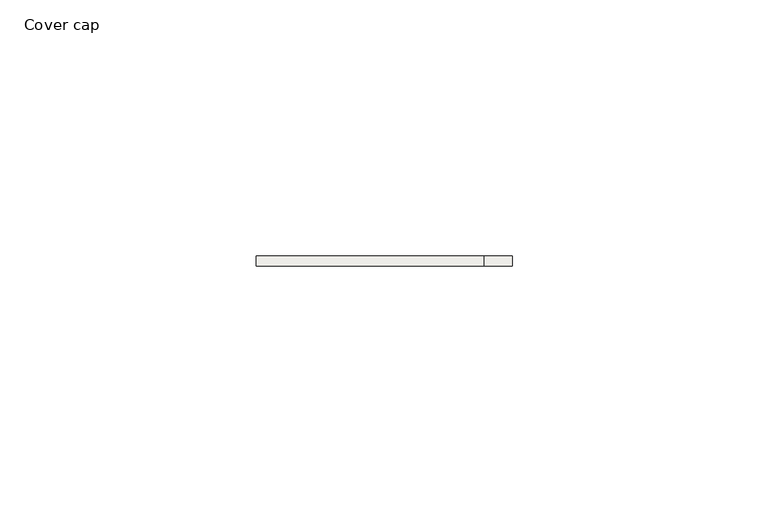
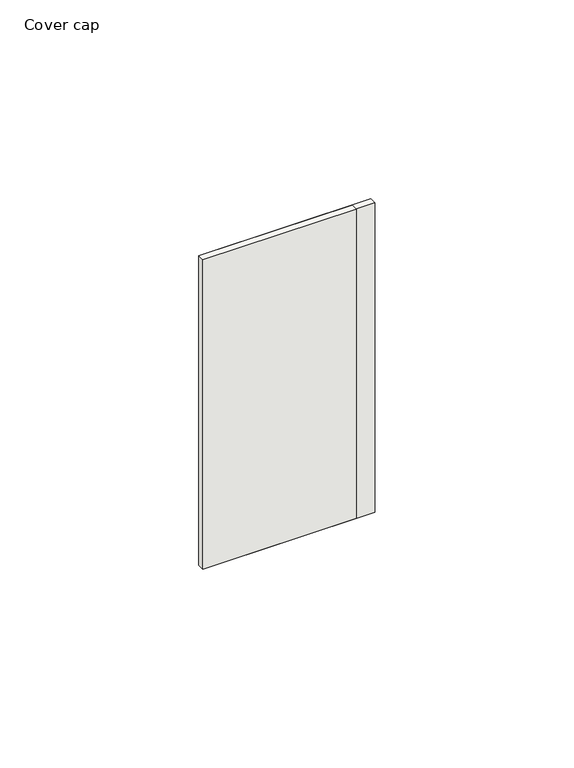
"""IFC4 building model written with IfcOpenShell, lengths in millimetres: covering geometry, Cover cap."""

from ifc_helpers import new_model, si_unit, frame, origin, place, context, project, spatial, polyline, outline, extrude, source, transform, mapped, element, save


def cover_cap_769fb4cc(model_context):
    return source(origin(), model_context, "Body", "SweptSolid", [
        extrude(outline(polyline([(19.5, 0.0), (-25.0, 0.0), (-25.0, 2.0), (19.5, 2.0), (19.5, 0.0)])), frame((0.0, 0.0, -2.0), z_axis=(0.0, 0.0, 1.0), x_axis=(1.0, 0.0, 0.0)), (0.0, 0.0, 1.0), 95.0),
        extrude(outline(polyline([(25.0, 0.0), (-25.0, 0.0), (-25.0, 2.0), (25.0, 2.0), (25.0, 0.0)])), frame((0.0, 0.0, -2.0), z_axis=(0.0, 0.0, 1.0), x_axis=(1.0, 0.0, 0.0)), (0.0, 0.0, 1.0), 95.0),
    ])


if __name__ == "__main__":
    model = new_model("IFC4")
    model_context = context("Model", 3, world=origin())
    ifc_project = project(units=[si_unit("LENGTHUNIT", "METRE", prefix="MILLI")], contexts=[model_context])
    site = spatial("IfcSite", under=ifc_project)
    building = spatial("IfcBuilding", under=site)
    placement = place(None, origin())
    cover_cap_shape = cover_cap_769fb4cc(model_context)
    element("IfcCovering", 1, ObjectType="Cover cap", at=placement, inside=building, context=model_context, shape_type="MappedRepresentation", body=[
        mapped(cover_cap_shape, transform((0.0, 0.0, 0.0), x_axis=(1.0, 0.0, 0.0), y_axis=(0.0, 1.0, 0.0), z_axis=(0.0, 0.0, 1.0))),
    ])
    save(model, "model.ifc")
